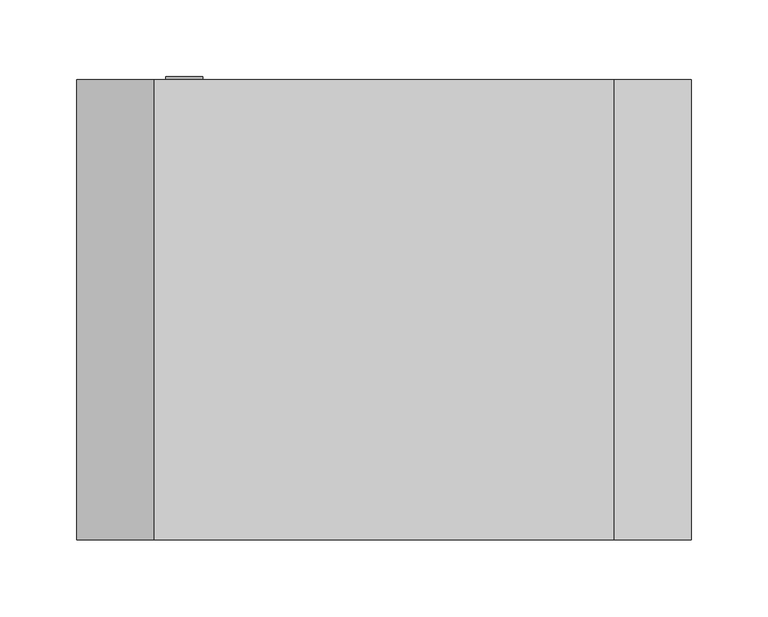
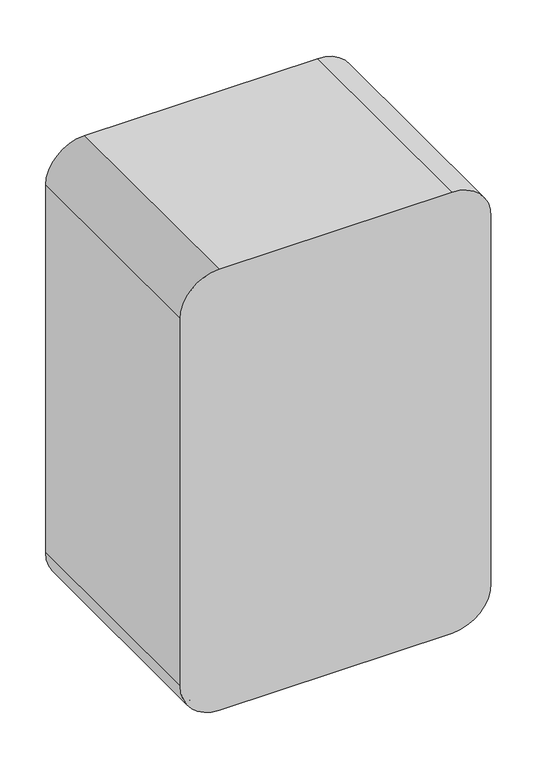
"""IFC4 building model written with IfcOpenShell, lengths in millimetres: furniture geometry."""

from ifc_helpers import new_model, si_unit, point, frame, frame_2d, origin, place, context, project, spatial, polyline, circle_curve, trimmed, segment, composite_curve, outline, extrude, source, transform, mapped, element, save
from ifc_brep_helpers import plane_surface, cylinder_surface, revolved_surface, advanced_brep


def furniture_aa8b1c63(model_context):
    return source(origin(), model_context, "Body", "SolidModel", [
        extrude(outline(composite_curve([segment(trimmed(circle_curve(frame_2d((674.9999936, -5.0)), 12.0220351), [point((674.9999936, 7.0220351))], [point((674.9999936, -17.0220351))], False, "CARTESIAN"), True, "CONTINUOUS"), segment(trimmed(circle_curve(frame_2d((674.9999936, -5.0)), 12.0220351), [point((674.9999936, -17.0220351))], [point((674.9999936, 7.0220351))], False, "CARTESIAN"), True, "CONTINUOUS")], self_intersect=False)), frame((0.0, 462.0, 0.0), z_axis=(0.0, 1.0, 0.0), x_axis=(0.0, 0.0, 1.0)), (0.0, 0.0, 1.0), 14.7651868),
        advanced_brep(
        [(275.0, 475.0, 1050.0), (325.0, 475.0, 1000.0), (325.0, 475.0, 500.0), (275.0, 475.0, 450.0), (-25.0, 475.0, 450.0), (-75.0, 475.0, 500.0), (-75.0, 475.0, 1000.0), (-25.0, 475.0, 1050.0), (-25.0, 475.0, 1044.0), (-69.0, 475.0, 1000.0), (-69.0, 475.0, 851.0), (319.0, 475.0, 851.0), (319.0, 475.0, 1000.0), (275.0, 475.0, 1044.0), (275.0, 175.0, 1050.0), (-25.0, 175.0, 1050.0), (-75.0, 175.0, 1000.0), (-75.0, 175.0, 500.0), (-25.0, 175.0, 450.0), (275.0, 175.0, 450.0), (325.0, 175.0, 500.0), (325.0, 175.0, 1000.0), (-25.0, 178.0, 1044.0), (-69.0, 178.0, 1000.0), (-69.0, 178.0, 500.0), (-69.0, 462.0, 500.0), (-69.0, 462.0, 851.0), (-25.0, 178.0, 456.0), (-25.0, 462.0, 456.0), (275.0, 178.0, 456.0), (275.0, 462.0, 456.0), (319.0, 178.0, 500.0), (319.0, 462.0, 500.0), (319.0, 178.0, 1000.0), (319.0, 462.0, 851.0), (275.0, 178.0, 1044.0)],
        [
            (0, 1, circle_curve(frame((275.0, 475.0, 1000.0), z_axis=(0.0, 1.0, 0.0), x_axis=(1.0, 0.0, 0.0)), 50.0)),
            (1, 2),
            (2, 3, circle_curve(frame((275.0, 475.0, 500.0), z_axis=(0.0, 1.0, 0.0), x_axis=(0.0, 0.0, -1.0)), 50.0)),
            (3, 4),
            (4, 5, circle_curve(frame((-25.0, 475.0, 500.0), z_axis=(0.0, 1.0, 0.0), x_axis=(-1.0, 0.0, 0.0)), 50.0)),
            (5, 6),
            (6, 7, circle_curve(frame((-25.0, 475.0, 1000.0), z_axis=(0.0, 1.0, 0.0), x_axis=(0.0, 0.0, 1.0)), 50.0)),
            (7, 0),
            (8, 9, circle_curve(frame((-25.0, 475.0, 1000.0), z_axis=(0.0, -1.0, 0.0), x_axis=(-1.0, 0.0, 0.0)), 44.0)),
            (9, 10),
            (10, 11),
            (11, 12),
            (12, 13, circle_curve(frame((275.0, 475.0, 1000.0), z_axis=(0.0, -1.0, 0.0), x_axis=(0.0, 0.0, 1.0)), 44.0)),
            (13, 8),
            (14, 15),
            (15, 16, circle_curve(frame((-25.0, 175.0, 1000.0), z_axis=(0.0, -1.0, 0.0), x_axis=(0.0, 0.0, 1.0)), 50.0)),
            (16, 17),
            (17, 18, circle_curve(frame((-25.0, 175.0, 500.0), z_axis=(0.0, -1.0, 0.0), x_axis=(-1.0, 0.0, 0.0)), 50.0)),
            (18, 19),
            (19, 20, circle_curve(frame((275.0, 175.0, 500.0), z_axis=(0.0, -1.0, 0.0), x_axis=(0.0, 0.0, -1.0)), 50.0)),
            (20, 21),
            (21, 14, circle_curve(frame((275.0, 175.0, 1000.0), z_axis=(0.0, -1.0, 0.0), x_axis=(1.0, 0.0, 0.0)), 50.0)),
            (8, 22),
            (22, 23, circle_curve(frame((-25.0, 178.0, 1000.0), z_axis=(0.0, -1.0, 0.0), x_axis=(-1.0, 0.0, 0.0)), 44.0)),
            (23, 9),
            (23, 24),
            (24, 25),
            (25, 26),
            (26, 10),
            (24, 27, circle_curve(frame((-25.0, 178.0, 500.0), z_axis=(0.0, -1.0, 0.0), x_axis=(0.0, 0.0, -1.0)), 44.0)),
            (27, 28),
            (28, 25, circle_curve(frame((-25.0, 462.0, 500.0), z_axis=(0.0, 1.0, 0.0), x_axis=(0.0, 0.0, -1.0)), 44.0)),
            (27, 29),
            (29, 30),
            (30, 28),
            (29, 31, circle_curve(frame((275.0, 178.0, 500.0), z_axis=(0.0, -1.0, 0.0), x_axis=(1.0, 0.0, 0.0)), 44.0)),
            (31, 32),
            (32, 30, circle_curve(frame((275.0, 462.0, 500.0), z_axis=(0.0, 1.0, 0.0), x_axis=(1.0, 0.0, 0.0)), 44.0)),
            (33, 12),
            (11, 34),
            (34, 32),
            (31, 33),
            (33, 35, circle_curve(frame((275.0, 178.0, 1000.0), z_axis=(0.0, -1.0, 0.0), x_axis=(0.0, 0.0, 1.0)), 44.0)),
            (35, 13),
            (35, 22),
            (0, 14),
            (21, 1),
            (20, 2),
            (19, 3),
            (18, 4),
            (17, 5),
            (16, 6),
            (15, 7),
            (34, 26),
        ],
        [
            plane_surface(frame((-69.0, 475.0, 1000.0), z_axis=(0.0, 1.0, 0.0), x_axis=(0.0, 0.0, -1.0))),
            plane_surface(frame((-69.0, 175.0, 1000.0), z_axis=(0.0, -1.0, 0.0), x_axis=(0.0, 0.0, 1.0))),
            revolved_surface(polyline([(-69.0, 178.0, 1000.0), (-69.0, 475.0, 1000.0)]), (-25.0, 175.0, 1000.0), (0.0, -1.0, 0.0)),
            plane_surface(frame((-69.0, 475.0, 1000.0), z_axis=(1.0, 0.0, 0.0), x_axis=(0.0, -1.0, 0.0))),
            revolved_surface(polyline([(-25.0, 178.0, 456.0), (-25.0, 462.0, 456.0)]), (-25.0, 175.0, 500.0), (0.0, -1.0, 0.0)),
            plane_surface(frame((-25.0, 475.0, 456.0), z_axis=(0.0, 0.0, 1.0), x_axis=(0.0, -1.0, 0.0))),
            revolved_surface(polyline([(319.0, 178.0, 500.0), (319.0, 462.0, 500.0)]), (275.0, 175.0, 500.0), (0.0, -1.0, 0.0)),
            plane_surface(frame((319.0, 475.0, 500.0), z_axis=(-1.0, 0.0, 0.0), x_axis=(0.0, -1.0, 0.0))),
            revolved_surface(polyline([(275.0, 178.0, 1044.0), (275.0, 475.0, 1044.0)]), (275.0, 175.0, 1000.0), (0.0, -1.0, 0.0)),
            plane_surface(frame((275.0, 475.0, 1044.0), z_axis=(0.0, 0.0, -1.0), x_axis=(0.0, -1.0, 0.0))),
            cylinder_surface(frame((275.0, 325.0, 1000.0), z_axis=(0.0, 1.0, 0.0), x_axis=(1.0, 0.0, 0.0)), 50.0),
            plane_surface(frame((325.0, 475.0, 1000.0), z_axis=(1.0, 0.0, 0.0), x_axis=(0.0, -1.0, 0.0))),
            cylinder_surface(frame((275.0, 325.0, 500.0), z_axis=(0.0, 1.0, 0.0), x_axis=(0.0, 0.0, -1.0)), 50.0),
            plane_surface(frame((275.0, 475.0, 450.0), z_axis=(0.0, 0.0, -1.0), x_axis=(0.0, -1.0, 0.0))),
            cylinder_surface(frame((-25.0, 325.0, 500.0), z_axis=(0.0, 1.0, 0.0), x_axis=(-1.0, 0.0, 0.0)), 50.0),
            plane_surface(frame((-75.0, 475.0, 500.0), z_axis=(-1.0, 0.0, 0.0), x_axis=(0.0, -1.0, 0.0))),
            cylinder_surface(frame((-25.0, 325.0, 1000.0), z_axis=(0.0, 1.0, 0.0), x_axis=(0.0, 0.0, 1.0)), 50.0),
            plane_surface(frame((-25.0, 475.0, 1050.0), z_axis=(0.0, 0.0, 1.0), x_axis=(0.0, -1.0, 0.0))),
            plane_surface(frame((275.0, 178.0, 1044.0), z_axis=(0.0, 1.0, 0.0), x_axis=(1.0, 0.0, 0.0))),
            plane_surface(frame((319.0, 462.0, 500.0), z_axis=(0.0, -1.0, 0.0), x_axis=(0.0, 0.0, 1.0))),
            plane_surface(frame((-69.0, 475.0, 851.0), z_axis=(0.0, 0.0, 1.0), x_axis=(0.0, -1.0, 0.0))),
        ],
        [
            (0, [[1, 2, 3, 4, 5, 6, 7, 8], [9, 10, 11, 12, 13, 14]]),
            (1, [[15, 16, 17, 18, 19, 20, 21, 22]]),
            (2, [[-9, 23, 24, 25]]),
            (3, [[-25, 26, 27, 28, 29, -10]]),
            (4, [[30, 31, 32, -27]]),
            (5, [[33, 34, 35, -31]]),
            (6, [[36, 37, 38, -34]]),
            (7, [[39, -12, 40, 41, -37, 42]]),
            (8, [[-13, -39, 43, 44]]),
            (9, [[-14, -44, 45, -23]]),
            (10, [[-1, 46, -22, 47]]),
            (11, [[-2, -47, -21, 48]]),
            (12, [[-3, -48, -20, 49]]),
            (13, [[-4, -49, -19, 50]]),
            (14, [[-5, -50, -18, 51]]),
            (15, [[-6, -51, -17, 52]]),
            (16, [[-7, -52, -16, 53]]),
            (17, [[-8, -53, -15, -46]]),
            (18, [[-24, -45, -43, -42, -36, -33, -30, -26]]),
            (19, [[54, -28, -32, -35, -38, -41]]),
            (20, [[-11, -29, -54, -40]]),
        ],
    ),
    ])


if __name__ == "__main__":
    model = new_model("IFC4")
    model_context = context("Model", 3, world=origin())
    ifc_project = project(units=[si_unit("LENGTHUNIT", "METRE", prefix="MILLI")], contexts=[model_context])
    site = spatial("IfcSite", under=ifc_project)
    building = spatial("IfcBuilding", under=site)
    placement = place(None, origin())
    furniture_shape = furniture_aa8b1c63(model_context)
    element("IfcFurniture", 1, at=placement, inside=building, context=model_context, shape_type="MappedRepresentation", body=[
        mapped(furniture_shape, transform((0.0, 0.0, 0.0), x_axis=(1.0, 0.0, 0.0), y_axis=(0.0, 1.0, 0.0), z_axis=(0.0, 0.0, 1.0))),
    ])
    save(model, "model.ifc")
